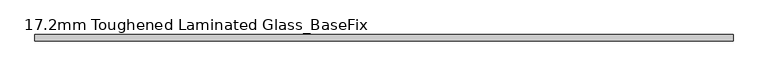
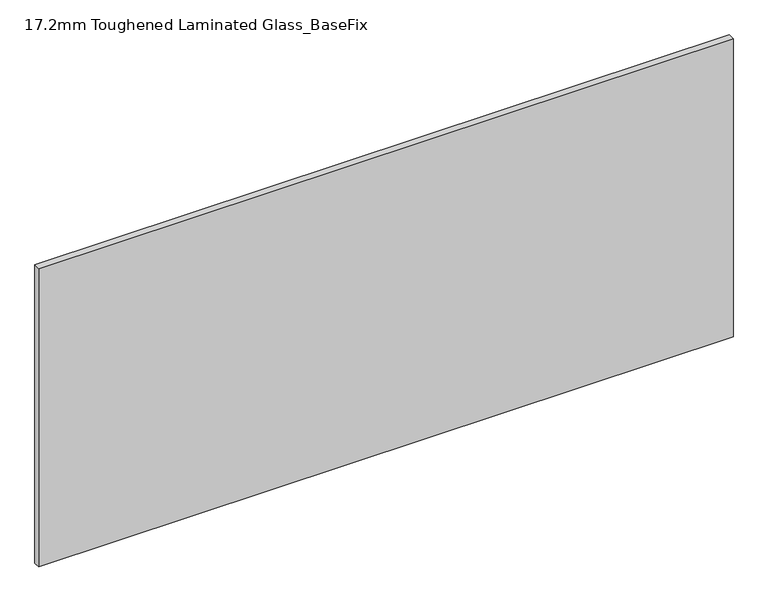
"""IFC4 building model written with IfcOpenShell, lengths in millimetres: plate geometry, 17.2mm Toughened Laminated Glass_BaseFix."""

from ifc_helpers import new_model, si_unit, origin, origin_with_axes, place, context, project, spatial, polyline, outline, extrude, source, transform, mapped, element, save


def plate_17_2mm_toughened_laminated_glass_basefix_0ff33f0d(model_context):
    return source(origin(), model_context, "Body", "SweptSolid", [
        extrude(outline(polyline([(945.0000001, 8.6), (945.0000001, -8.6), (-945.0000001, -8.6), (-945.0000001, 8.6), (945.0000001, 8.6)])), origin_with_axes(), (0.0, 0.0, 1.0), 858.0),
    ])


if __name__ == "__main__":
    model = new_model("IFC4")
    model_context = context("Model", 3, world=origin())
    ifc_project = project(units=[si_unit("LENGTHUNIT", "METRE", prefix="MILLI")], contexts=[model_context])
    site = spatial("IfcSite", under=ifc_project)
    building = spatial("IfcBuilding", under=site)
    placement = place(None, origin())
    plate_17_2mm_toughened_laminated_glass_basefix_shape = plate_17_2mm_toughened_laminated_glass_basefix_0ff33f0d(model_context)
    element("IfcPlate", 1, ObjectType="17.2mm Toughened Laminated Glass_BaseFix", at=placement, inside=building, context=model_context, shape_type="MappedRepresentation", body=[
        mapped(plate_17_2mm_toughened_laminated_glass_basefix_shape, transform((0.0, 0.0, 0.0), x_axis=(1.0, 0.0, 0.0), y_axis=(0.0, 1.0, 0.0), z_axis=(0.0, 0.0, 1.0))),
    ])
    save(model, "model.ifc")
